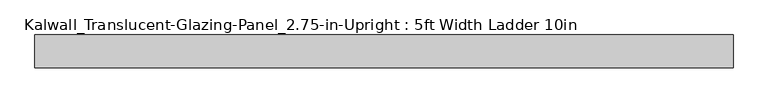
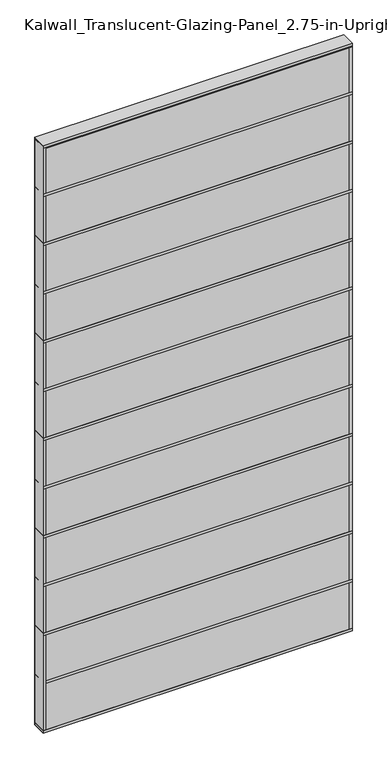
"""IFC4 building model written with IfcOpenShell, lengths in millimetres: plate geometry, Kalwall_Translucent-Glazing-Panel_2.75-in-Upright : 5ft Width Ladder 10in."""

from ifc_helpers import new_model, si_unit, frame, origin, origin_with_axes, place, context, project, spatial, polyline, outline, extrude, source, transform, mapped, element, save


def kalwall_translucent_glazing_panel_2_75_in_upright_5ft_width_9f6d4579(model_context):
    return source(origin(), model_context, "Body", "SweptSolid", [
        extrude(outline(polyline([(762.0, 34.925), (762.0, -34.925), (-762.0, -34.925), (-762.0, 34.925), (762.0, 34.925)])), origin_with_axes(), (0.0, 0.0, 1.0), 3054.35),
        extrude(outline(polyline([(762.0, 35.71875), (762.0, -35.71875), (-762.0, -35.71875), (-762.0, 35.71875), (762.0, 35.71875)])), frame((0.0, 0.0, 3048.0), z_axis=(0.0, 0.0, 1.0), x_axis=(1.0, 0.0, 0.0)), (0.0, 0.0, 1.0), 12.7),
        extrude(outline(polyline([(762.0, 35.71875), (762.0, -35.71875), (-762.0, -35.71875), (-762.0, 35.71875), (762.0, 35.71875)])), frame((0.0, 0.0, 2794.0), z_axis=(0.0, 0.0, 1.0), x_axis=(1.0, 0.0, 0.0)), (0.0, 0.0, 1.0), 12.7),
        extrude(outline(polyline([(762.0, 35.71875), (762.0, -35.71875), (-762.0, -35.71875), (-762.0, 35.71875), (762.0, 35.71875)])), frame((0.0, 0.0, 2540.0), z_axis=(0.0, 0.0, 1.0), x_axis=(1.0, 0.0, 0.0)), (0.0, 0.0, 1.0), 12.7),
        extrude(outline(polyline([(762.0, 35.71875), (762.0, -35.71875), (-762.0, -35.71875), (-762.0, 35.71875), (762.0, 35.71875)])), frame((0.0, 0.0, 2286.0), z_axis=(0.0, 0.0, 1.0), x_axis=(1.0, 0.0, 0.0)), (0.0, 0.0, 1.0), 12.7),
        extrude(outline(polyline([(762.0, 35.71875), (762.0, -35.71875), (-762.0, -35.71875), (-762.0, 35.71875), (762.0, 35.71875)])), frame((0.0, 0.0, 2032.0), z_axis=(0.0, 0.0, 1.0), x_axis=(1.0, 0.0, 0.0)), (0.0, 0.0, 1.0), 12.7),
        extrude(outline(polyline([(762.0, 35.71875), (762.0, -35.71875), (-762.0, -35.71875), (-762.0, 35.71875), (762.0, 35.71875)])), frame((0.0, 0.0, 1778.0), z_axis=(0.0, 0.0, 1.0), x_axis=(1.0, 0.0, 0.0)), (0.0, 0.0, 1.0), 12.7),
        extrude(outline(polyline([(762.0, 35.71875), (762.0, -35.71875), (-762.0, -35.71875), (-762.0, 35.71875), (762.0, 35.71875)])), frame((0.0, 0.0, 1524.0), z_axis=(0.0, 0.0, 1.0), x_axis=(1.0, 0.0, 0.0)), (0.0, 0.0, 1.0), 12.7),
        extrude(outline(polyline([(762.0, 35.71875), (762.0, -35.71875), (-762.0, -35.71875), (-762.0, 35.71875), (762.0, 35.71875)])), frame((0.0, 0.0, 1270.0), z_axis=(0.0, 0.0, 1.0), x_axis=(1.0, 0.0, 0.0)), (0.0, 0.0, 1.0), 12.7),
        extrude(outline(polyline([(762.0, 35.71875), (762.0, -35.71875), (-762.0, -35.71875), (-762.0, 35.71875), (762.0, 35.71875)])), frame((0.0, 0.0, 1016.0), z_axis=(0.0, 0.0, 1.0), x_axis=(1.0, 0.0, 0.0)), (0.0, 0.0, 1.0), 12.7),
        extrude(outline(polyline([(762.0, 35.71875), (762.0, -35.71875), (-762.0, -35.71875), (-762.0, 35.71875), (762.0, 35.71875)])), frame((0.0, 0.0, 762.0), z_axis=(0.0, 0.0, 1.0), x_axis=(1.0, 0.0, 0.0)), (0.0, 0.0, 1.0), 12.7),
        extrude(outline(polyline([(762.0, 35.71875), (762.0, -35.71875), (-762.0, -35.71875), (-762.0, 35.71875), (762.0, 35.71875)])), frame((0.0, 0.0, 508.0), z_axis=(0.0, 0.0, 1.0), x_axis=(1.0, 0.0, 0.0)), (0.0, 0.0, 1.0), 12.7),
        extrude(outline(polyline([(762.0, 35.71875), (762.0, -35.71875), (-762.0, -35.71875), (-762.0, 35.71875), (762.0, 35.71875)])), origin_with_axes(), (0.0, 0.0, 1.0), 12.7),
        extrude(outline(polyline([(-749.3, 35.71875), (-749.3, -35.71875), (-762.0, -35.71875), (-762.0, 35.71875), (-749.3, 35.71875)])), origin_with_axes(), (0.0, 0.0, 1.0), 3054.35),
        extrude(outline(polyline([(762.0, 35.71875), (762.0, -35.71875), (-762.0, -35.71875), (-762.0, 35.71875), (762.0, 35.71875)])), frame((0.0, 0.0, 3041.65), z_axis=(0.0, 0.0, 1.0), x_axis=(1.0, 0.0, 0.0)), (0.0, 0.0, 1.0), 12.7),
        extrude(outline(polyline([(762.0, 35.71875), (762.0, -35.71875), (-762.0, -35.71875), (-762.0, 35.71875), (762.0, 35.71875)])), frame((0.0, 0.0, 254.0), z_axis=(0.0, 0.0, 1.0), x_axis=(1.0, 0.0, 0.0)), (0.0, 0.0, 1.0), 12.7),
        extrude(outline(polyline([(762.0, 35.71875), (762.0, -35.71875), (-762.0, -35.71875), (-762.0, 35.71875), (762.0, 35.71875)])), origin_with_axes(), (0.0, 0.0, 1.0), 12.7),
        extrude(outline(polyline([(762.0, 35.71875), (762.0, -35.71875), (749.3, -35.71875), (749.3, 35.71875), (762.0, 35.71875)])), origin_with_axes(), (0.0, 0.0, 1.0), 3054.35),
    ])


if __name__ == "__main__":
    model = new_model("IFC4")
    model_context = context("Model", 3, world=origin())
    ifc_project = project(units=[si_unit("LENGTHUNIT", "METRE", prefix="MILLI")], contexts=[model_context])
    site = spatial("IfcSite", under=ifc_project)
    building = spatial("IfcBuilding", under=site)
    placement = place(None, origin())
    kalwall_translucent_glazing_panel_2_75_in_upright_5ft_width_shape = kalwall_translucent_glazing_panel_2_75_in_upright_5ft_width_9f6d4579(model_context)
    element("IfcPlate", 1, ObjectType="Kalwall_Translucent-Glazing-Panel_2.75-in-Upright : 5ft Width Ladder 10in", at=placement, inside=building, context=model_context, shape_type="MappedRepresentation", body=[
        mapped(kalwall_translucent_glazing_panel_2_75_in_upright_5ft_width_shape, transform((0.0, 0.0, 0.0), x_axis=(1.0, 0.0, 0.0), y_axis=(0.0, 1.0, 0.0), z_axis=(0.0, 0.0, 1.0))),
    ])
    save(model, "model.ifc")
